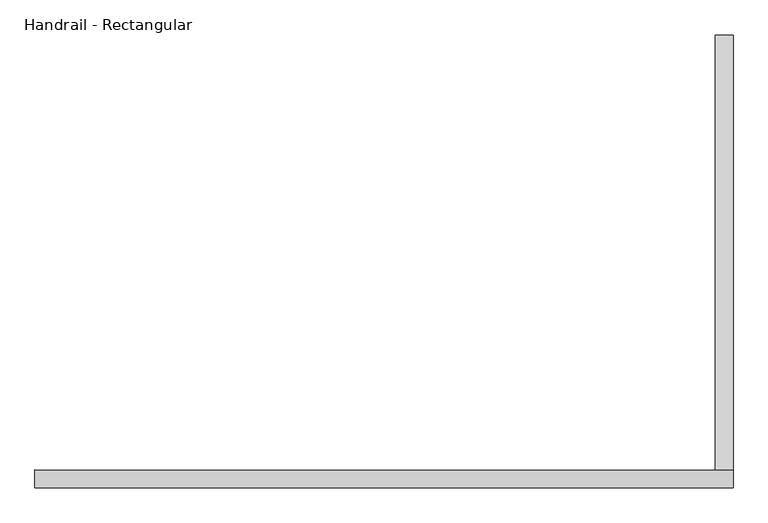
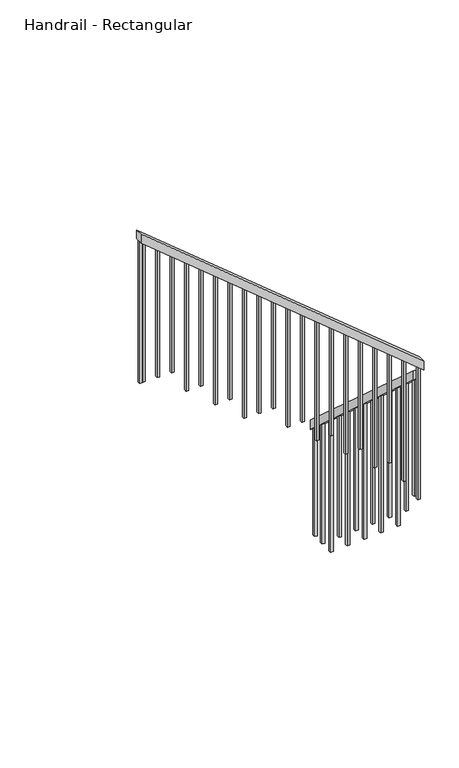
"""IFC4 building model written with IfcOpenShell, lengths in millimetres: railing geometry, Handrail - Rectangular."""

from ifc_helpers import new_model, si_unit, frame, origin, place, context, project, spatial, polyline, outline, extrude, source, transform, mapped, element, save


def handrail_rectangular_b9e0a36f(model_context):
    return source(origin(), model_context, "Body", "SweptSolid", [
        extrude(outline(polyline([(1114.7158207, -1721.531192), (1114.7158207, -1789.9138388), (-123.2815133, -674.3237785), (-123.2815133, -605.9411317), (1114.7158207, -1721.531192)])), frame((2661.9421555, 0.0, 0.0), z_axis=(1.0, 0.0, 0.0), x_axis=(0.0, 1.0, 0.0)), (0.0, 0.0, 1.0), 50.8),
        extrude(outline(polyline([(-584.8672417, 2712.7421555), (-519.0485047, 2712.7421555), (1115.9572905, 728.1003505), (1050.1385535, 728.1003505), (-584.8672417, 2712.7421555)])), frame((0.0, -174.0815133, 0.0), z_axis=(0.0, 1.0, 0.0), x_axis=(0.0, 0.0, 1.0)), (0.0, 0.0, 1.0), 50.8),
        extrude(outline(polyline([(1018.5308606, 766.4671555), (1034.2248061, 747.4171555), (0.0, 747.4171555), (0.0, 766.4671555), (1018.5308606, 766.4671555)])), frame((0.0, -158.2065133, 0.0), z_axis=(0.0, 1.0, 0.0), x_axis=(0.0, 0.0, 1.0)), (0.0, 0.0, 1.0), 19.05),
        extrude(outline(polyline([(934.8298177, 868.0671555), (950.5237633, 849.0171555), (0.0, 849.0171555), (0.0, 868.0671555), (934.8298177, 868.0671555)])), frame((0.0, -158.2065133, 0.0), z_axis=(0.0, 1.0, 0.0), x_axis=(0.0, 0.0, 1.0)), (0.0, 0.0, 1.0), 19.05),
        extrude(outline(polyline([(851.1287749, 969.6671555), (866.8227204, 950.6171555), (0.0, 950.6171555), (0.0, 969.6671555), (851.1287749, 969.6671555)])), frame((0.0, -158.2065133, 0.0), z_axis=(0.0, 1.0, 0.0), x_axis=(0.0, 0.0, 1.0)), (0.0, 0.0, 1.0), 19.05),
        extrude(outline(polyline([(767.427732, 1071.2671555), (783.1216775, 1052.2171555), (-171.875, 1052.2171555), (-171.875, 1071.2671555), (767.427732, 1071.2671555)])), frame((0.0, -158.2065133, 0.0), z_axis=(0.0, 1.0, 0.0), x_axis=(0.0, 0.0, 1.0)), (0.0, 0.0, 1.0), 19.05),
        extrude(outline(polyline([(683.7266891, 1172.8671555), (699.4206347, 1153.8171555), (-171.875, 1153.8171555), (-171.875, 1172.8671555), (683.7266891, 1172.8671555)])), frame((0.0, -158.2065133, 0.0), z_axis=(0.0, 1.0, 0.0), x_axis=(0.0, 0.0, 1.0)), (0.0, 0.0, 1.0), 19.05),
        extrude(outline(polyline([(600.0256463, 1274.4671555), (615.7195918, 1255.4171555), (-343.75, 1255.4171555), (-343.75, 1274.4671555), (600.0256463, 1274.4671555)])), frame((0.0, -158.2065133, 0.0), z_axis=(0.0, 1.0, 0.0), x_axis=(0.0, 0.0, 1.0)), (0.0, 0.0, 1.0), 19.05),
        extrude(outline(polyline([(516.3246034, 1376.0671555), (532.018549, 1357.0171555), (-343.75, 1357.0171555), (-343.75, 1376.0671555), (516.3246034, 1376.0671555)])), frame((0.0, -158.2065133, 0.0), z_axis=(0.0, 1.0, 0.0), x_axis=(0.0, 0.0, 1.0)), (0.0, 0.0, 1.0), 19.05),
        extrude(outline(polyline([(432.6235606, 1477.6671555), (448.3175061, 1458.6171555), (-515.625, 1458.6171555), (-515.625, 1477.6671555), (432.6235606, 1477.6671555)])), frame((0.0, -158.2065133, 0.0), z_axis=(0.0, 1.0, 0.0), x_axis=(0.0, 0.0, 1.0)), (0.0, 0.0, 1.0), 19.05),
        extrude(outline(polyline([(348.9225177, 1579.2671555), (364.6164632, 1560.2171555), (-515.625, 1560.2171555), (-515.625, 1579.2671555), (348.9225177, 1579.2671555)])), frame((0.0, -158.2065133, 0.0), z_axis=(0.0, 1.0, 0.0), x_axis=(0.0, 0.0, 1.0)), (0.0, 0.0, 1.0), 19.05),
        extrude(outline(polyline([(265.2214748, 1680.8671555), (280.9154204, 1661.8171555), (-515.625, 1661.8171555), (-515.625, 1680.8671555), (265.2214748, 1680.8671555)])), frame((0.0, -158.2065133, 0.0), z_axis=(0.0, 1.0, 0.0), x_axis=(0.0, 0.0, 1.0)), (0.0, 0.0, 1.0), 19.05),
        extrude(outline(polyline([(181.520432, 1782.4671555), (197.2143775, 1763.4171555), (-687.5, 1763.4171555), (-687.5, 1782.4671555), (181.520432, 1782.4671555)])), frame((0.0, -158.2065133, 0.0), z_axis=(0.0, 1.0, 0.0), x_axis=(0.0, 0.0, 1.0)), (0.0, 0.0, 1.0), 19.05),
        extrude(outline(polyline([(97.8193891, 1884.0671555), (113.5133347, 1865.0171555), (-687.5, 1865.0171555), (-687.5, 1884.0671555), (97.8193891, 1884.0671555)])), frame((0.0, -158.2065133, 0.0), z_axis=(0.0, 1.0, 0.0), x_axis=(0.0, 0.0, 1.0)), (0.0, 0.0, 1.0), 19.05),
        extrude(outline(polyline([(14.1183463, 1985.6671555), (29.8122918, 1966.6171555), (-859.375, 1966.6171555), (-859.375, 1985.6671555), (14.1183463, 1985.6671555)])), frame((0.0, -158.2065133, 0.0), z_axis=(0.0, 1.0, 0.0), x_axis=(0.0, 0.0, 1.0)), (0.0, 0.0, 1.0), 19.05),
        extrude(outline(polyline([(-69.5826966, 2087.2671555), (-53.8887511, 2068.2171555), (-859.375, 2068.2171555), (-859.375, 2087.2671555), (-69.5826966, 2087.2671555)])), frame((0.0, -158.2065133, 0.0), z_axis=(0.0, 1.0, 0.0), x_axis=(0.0, 0.0, 1.0)), (0.0, 0.0, 1.0), 19.05),
        extrude(outline(polyline([(-153.2837395, 2188.8671555), (-137.5897939, 2169.8171555), (-1031.25, 2169.8171555), (-1031.25, 2188.8671555), (-153.2837395, 2188.8671555)])), frame((0.0, -158.2065133, 0.0), z_axis=(0.0, 1.0, 0.0), x_axis=(0.0, 0.0, 1.0)), (0.0, 0.0, 1.0), 19.05),
        extrude(outline(polyline([(-236.9847823, 2290.4671555), (-221.2908368, 2271.4171555), (-1031.25, 2271.4171555), (-1031.25, 2290.4671555), (-236.9847823, 2290.4671555)])), frame((0.0, -158.2065133, 0.0), z_axis=(0.0, 1.0, 0.0), x_axis=(0.0, 0.0, 1.0)), (0.0, 0.0, 1.0), 19.05),
        extrude(outline(polyline([(-320.6858252, 2392.0671555), (-304.9918796, 2373.0171555), (-1203.125, 2373.0171555), (-1203.125, 2392.0671555), (-320.6858252, 2392.0671555)])), frame((0.0, -158.2065133, 0.0), z_axis=(0.0, 1.0, 0.0), x_axis=(0.0, 0.0, 1.0)), (0.0, 0.0, 1.0), 19.05),
        extrude(outline(polyline([(-404.386868, 2493.6671555), (-388.6929225, 2474.6171555), (-1203.125, 2474.6171555), (-1203.125, 2493.6671555), (-404.386868, 2493.6671555)])), frame((0.0, -158.2065133, 0.0), z_axis=(0.0, 1.0, 0.0), x_axis=(0.0, 0.0, 1.0)), (0.0, 0.0, 1.0), 19.05),
        extrude(outline(polyline([(-488.0879109, 2595.2671555), (-472.3939654, 2576.2171555), (-1375.0, 2576.2171555), (-1375.0, 2595.2671555), (-488.0879109, 2595.2671555)])), frame((0.0, -158.2065133, 0.0), z_axis=(0.0, 1.0, 0.0), x_axis=(0.0, 0.0, 1.0)), (0.0, 0.0, 1.0), 19.05),
        extrude(outline(polyline([(-114.0091793, -682.6793083), (-94.9591793, -699.8457351), (-94.9591793, -1546.875), (-114.0091793, -1546.875), (-114.0091793, -682.6793083)])), frame((2677.8171555, 0.0, 0.0), z_axis=(1.0, 0.0, 0.0), x_axis=(0.0, 1.0, 0.0)), (0.0, 0.0, 1.0), 19.05),
        extrude(outline(polyline([(-12.4091793, -774.2335847), (6.6408207, -791.4000115), (6.6408207, -1718.75), (-12.4091793, -1718.75), (-12.4091793, -774.2335847)])), frame((2677.8171555, 0.0, 0.0), z_axis=(1.0, 0.0, 0.0), x_axis=(0.0, 1.0, 0.0)), (0.0, 0.0, 1.0), 19.05),
        extrude(outline(polyline([(89.1908207, -865.7878611), (108.2408207, -882.9542879), (108.2408207, -1890.625), (89.1908207, -1890.625), (89.1908207, -865.7878611)])), frame((2677.8171555, 0.0, 0.0), z_axis=(1.0, 0.0, 0.0), x_axis=(0.0, 1.0, 0.0)), (0.0, 0.0, 1.0), 19.05),
        extrude(outline(polyline([(190.7908207, -957.3421375), (209.8408207, -974.5085644), (209.8408207, -1890.625), (190.7908207, -1890.625), (190.7908207, -957.3421375)])), frame((2677.8171555, 0.0, 0.0), z_axis=(1.0, 0.0, 0.0), x_axis=(0.0, 1.0, 0.0)), (0.0, 0.0, 1.0), 19.05),
        extrude(outline(polyline([(292.3908207, -1048.896414), (311.4408207, -1066.0628408), (311.4408207, -2062.5), (292.3908207, -2062.5), (292.3908207, -1048.896414)])), frame((2677.8171555, 0.0, 0.0), z_axis=(1.0, 0.0, 0.0), x_axis=(0.0, 1.0, 0.0)), (0.0, 0.0, 1.0), 19.05),
        extrude(outline(polyline([(393.9908207, -1140.4506904), (413.0408207, -1157.6171172), (413.0408207, -2062.5), (393.9908207, -2062.5), (393.9908207, -1140.4506904)])), frame((2677.8171555, 0.0, 0.0), z_axis=(1.0, 0.0, 0.0), x_axis=(0.0, 1.0, 0.0)), (0.0, 0.0, 1.0), 19.05),
        extrude(outline(polyline([(495.5908207, -1232.0049668), (514.6408207, -1249.1713936), (514.6408207, -2234.375), (495.5908207, -2234.375), (495.5908207, -1232.0049668)])), frame((2677.8171555, 0.0, 0.0), z_axis=(1.0, 0.0, 0.0), x_axis=(0.0, 1.0, 0.0)), (0.0, 0.0, 1.0), 19.05),
        extrude(outline(polyline([(597.1908207, -1323.5592432), (616.2408207, -1340.7256701), (616.2408207, -2234.375), (597.1908207, -2234.375), (597.1908207, -1323.5592432)])), frame((2677.8171555, 0.0, 0.0), z_axis=(1.0, 0.0, 0.0), x_axis=(0.0, 1.0, 0.0)), (0.0, 0.0, 1.0), 19.05),
        extrude(outline(polyline([(698.7908207, -1415.1135197), (717.8408207, -1432.2799465), (717.8408207, -2406.25), (698.7908207, -2406.25), (698.7908207, -1415.1135197)])), frame((2677.8171555, 0.0, 0.0), z_axis=(1.0, 0.0, 0.0), x_axis=(0.0, 1.0, 0.0)), (0.0, 0.0, 1.0), 19.05),
        extrude(outline(polyline([(800.3908207, -1506.6677961), (819.4408207, -1523.8342229), (819.4408207, -2406.25), (800.3908207, -2406.25), (800.3908207, -1506.6677961)])), frame((2677.8171555, 0.0, 0.0), z_axis=(1.0, 0.0, 0.0), x_axis=(0.0, 1.0, 0.0)), (0.0, 0.0, 1.0), 19.05),
        extrude(outline(polyline([(901.9908207, -1598.2220725), (921.0408207, -1615.3884994), (921.0408207, -2578.125), (901.9908207, -2578.125), (901.9908207, -1598.2220725)])), frame((2677.8171555, 0.0, 0.0), z_axis=(1.0, 0.0, 0.0), x_axis=(0.0, 1.0, 0.0)), (0.0, 0.0, 1.0), 19.05),
        extrude(outline(polyline([(1003.5908207, -1689.7763489), (1022.6408207, -1706.9427758), (1022.6408207, -2578.125), (1003.5908207, -2578.125), (1003.5908207, -1689.7763489)])), frame((2677.8171555, 0.0, 0.0), z_axis=(1.0, 0.0, 0.0), x_axis=(0.0, 1.0, 0.0)), (0.0, 0.0, 1.0), 19.05),
        extrude(outline(polyline([(-571.7889538, 2696.8671555), (-556.0950082, 2677.8171555), (-1546.875, 2677.8171555), (-1546.875, 2696.8671555), (-571.7889538, 2696.8671555)])), frame((0.0, -158.2065133, 0.0), z_axis=(0.0, 1.0, 0.0), x_axis=(0.0, 0.0, 1.0)), (0.0, 0.0, 1.0), 19.05),
        extrude(outline(polyline([(1034.4652037, 747.1253505), (1050.1591492, 728.0753505), (0.0, 728.0753505), (0.0, 747.1253505), (1034.4652037, 747.1253505)])), frame((0.0, -158.2065133, 0.0), z_axis=(0.0, 1.0, 0.0), x_axis=(0.0, 0.0, 1.0)), (0.0, 0.0, 1.0), 19.05),
        extrude(outline(polyline([(1095.6908207, -1772.7699401), (1114.7408207, -1789.9363669), (1114.7408207, -2578.125), (1095.6908207, -2578.125), (1095.6908207, -1772.7699401)])), frame((2677.8171555, 0.0, 0.0), z_axis=(1.0, 0.0, 0.0), x_axis=(0.0, 1.0, 0.0)), (0.0, 0.0, 1.0), 19.05),
    ])


if __name__ == "__main__":
    model = new_model("IFC4")
    model_context = context("Model", 3, world=origin())
    ifc_project = project(units=[si_unit("LENGTHUNIT", "METRE", prefix="MILLI")], contexts=[model_context])
    site = spatial("IfcSite", under=ifc_project)
    building = spatial("IfcBuilding", under=site)
    placement = place(None, origin())
    handrail_rectangular_shape = handrail_rectangular_b9e0a36f(model_context)
    element("IfcRailing", 1, ObjectType="Handrail - Rectangular", at=placement, inside=building, context=model_context, shape_type="MappedRepresentation", body=[
        mapped(handrail_rectangular_shape, transform((0.0, 0.0, 0.0), x_axis=(1.0, 0.0, 0.0), y_axis=(0.0, 1.0, 0.0), z_axis=(0.0, 0.0, 1.0))),
    ])
    save(model, "model.ifc")
